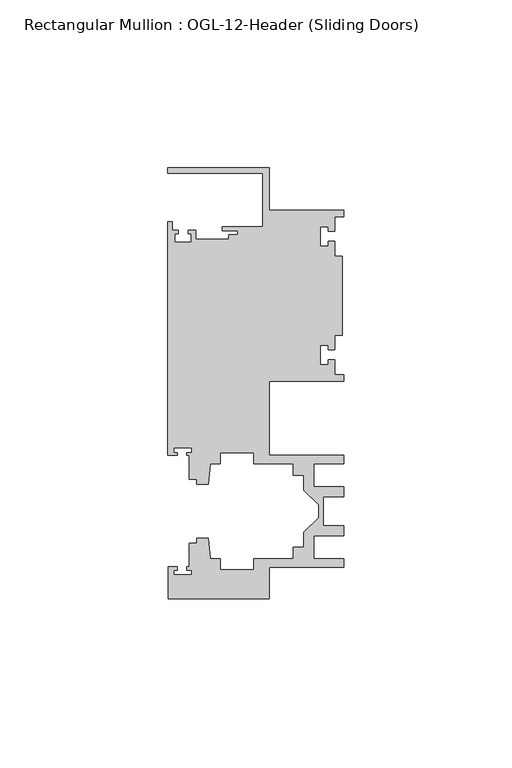
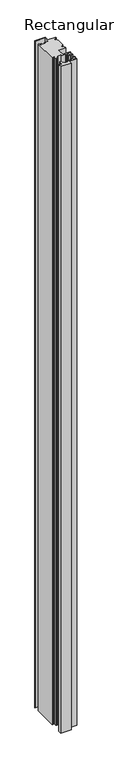
"""IFC4 building model written with IfcOpenShell, lengths in millimetres: member geometry, Rectangular Mullion : OGL-12-Header (Sliding Doors)."""

from ifc_helpers import new_model, si_unit, frame, origin, place, context, project, spatial, polyline, outline, extrude, source, transform, mapped, element, save


def rectangular_mullion_ogl_12_header_sliding_doors_4fb23886(model_context):
    return source(origin(), model_context, "Body", "SweptSolid", [
        extrude(outline(polyline([(0.0, 25.4), (0.0, 23.488176), (-2.740223, 23.488176), (-2.740223, 19.1395859), (-4.5407068, 19.1395859), (-4.5407068, 20.5271706), (-7.0406862, 20.5271706), (-7.0406862, 14.7651725), (-4.5407047, 14.7651725), (-4.5407047, 16.1605952), (-2.740223, 16.1605952), (-2.740223, 11.8041704), (-0.508, 11.8041704), (-0.508, -11.8041704), (-2.740223, -11.8041704), (-2.740223, -16.1605952), (-4.5407047, -16.1605952), (-4.5407047, -14.7651725), (-7.0406862, -14.7651725), (-7.0406862, -20.5271706), (-4.5407068, -20.5271706), (-4.5407068, -19.1395859), (-2.740223, -19.1395859), (-2.740223, -23.488176), (0.0, -23.488176), (0.0, -25.4), (-22.2332898, -25.4), (-22.2332898, -47.513352), (-0.0082575, -47.513352), (-0.0082575, -50.013352), (-8.8582575, -50.013352), (-8.8582575, -56.8562795), (-0.0082575, -56.8562795), (-0.0082575, -59.8562795), (-6.1582575, -59.8562795), (-6.1582575, -68.5325565), (-0.0082575, -68.5325565), (-0.0082575, -71.5325565), (-8.8582575, -71.5325565), (-8.8582575, -78.375484), (-0.0082575, -78.375484), (-0.0082575, -80.875484), (-22.2032575, -80.875484), (-22.2032575, -90.3252352), (-52.2095715, -90.3252352), (-52.2095715, -80.7425364), (-49.5692346, -80.7425364), (-49.5692346, -81.7156466), (-50.6220715, -81.7156466), (-50.6220715, -83.0934363), (-45.3220715, -83.0934363), (-45.3220715, -81.7156466), (-46.8181909, -81.7156466), (-46.8181909, -80.7425364), (-45.9710366, -80.7425364), (-45.9710366, -73.7629518), (-43.7582575, -73.7629518), (-43.7582575, -72.175484), (-40.3395523, -72.175484), (-39.7961967, -78.3860669), (-36.8419772, -78.3860669), (-36.8419772, -81.550484), (-26.7462575, -81.550484), (-26.7462575, -78.375484), (-15.0768765, -78.375484), (-15.0768765, -74.975484), (-11.8582575, -74.975484), (-11.8582575, -70.4941892), (-7.4980859, -66.1340176), (-7.4980859, -62.2548184), (-11.8582575, -57.8946468), (-11.8582575, -53.413352), (-15.0768765, -53.413352), (-15.0768765, -50.013352), (-26.7462575, -50.013352), (-26.7462575, -46.838352), (-36.8419772, -46.838352), (-36.8419772, -50.0027691), (-39.7961967, -50.0027691), (-40.3395523, -56.213352), (-43.7582575, -56.213352), (-43.7582575, -54.6622994), (-45.9710366, -54.6622994), (-45.9710366, -47.583496), (-46.769305, -47.583496), (-46.769305, -46.7096046), (-45.3220715, -46.7096046), (-45.3220715, -45.3318149), (-50.6220715, -45.3318149), (-50.6220715, -46.7096046), (-49.5910554, -46.7096046), (-49.5910554, -47.583496), (-52.3921824, -47.583496), (-52.3921824, 21.9710976), (-51.1362531, 21.9710976), (-51.1362531, 19.4824275), (-49.3568347, 19.4824275), (-49.3568347, 18.4751625), (-50.359397, 18.4751625), (-50.359397, 15.9751675), (-45.359407, 15.9751675), (-45.359407, 18.4751625), (-46.3304245, 18.4751625), (-46.3304245, 19.4824275), (-44.1094055, 19.4824275), (-44.1094055, 16.8641675), (-34.2833684, 16.8641675), (-34.2833684, 18.1510261), (-31.5444935, 18.1510261), (-31.5444935, 19.3006707), (-36.2104247, 19.3006707), (-36.2104247, 20.5916734), (-24.0747898, 20.5916734), (-24.0747898, 36.512516), (-52.3921824, 36.512516), (-52.3921824, 38.0996792), (-22.2332898, 38.0996792), (-22.2332898, 25.4), (0.0, 25.4)])), frame((0.0, 0.0, -2032.0), z_axis=(0.0, 0.0, 1.0), x_axis=(1.0, 0.0, 0.0)), (0.0, 0.0, 1.0), 2032.0),
    ])


if __name__ == "__main__":
    model = new_model("IFC4")
    model_context = context("Model", 3, world=origin())
    ifc_project = project(units=[si_unit("LENGTHUNIT", "METRE", prefix="MILLI")], contexts=[model_context])
    site = spatial("IfcSite", under=ifc_project)
    building = spatial("IfcBuilding", under=site)
    placement = place(None, origin())
    rectangular_mullion_ogl_12_header_sliding_doors_shape = rectangular_mullion_ogl_12_header_sliding_doors_4fb23886(model_context)
    element("IfcMember", 1, ObjectType="Rectangular Mullion : OGL-12-Header (Sliding Doors)", at=placement, inside=building, context=model_context, shape_type="MappedRepresentation", body=[
        mapped(rectangular_mullion_ogl_12_header_sliding_doors_shape, transform((0.0, 0.0, 0.0), x_axis=(1.0, 0.0, 0.0), y_axis=(0.0, 1.0, 0.0), z_axis=(0.0, 0.0, 1.0))),
    ])
    save(model, "model.ifc")
